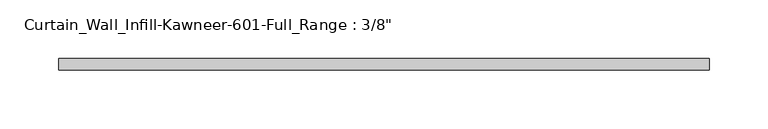
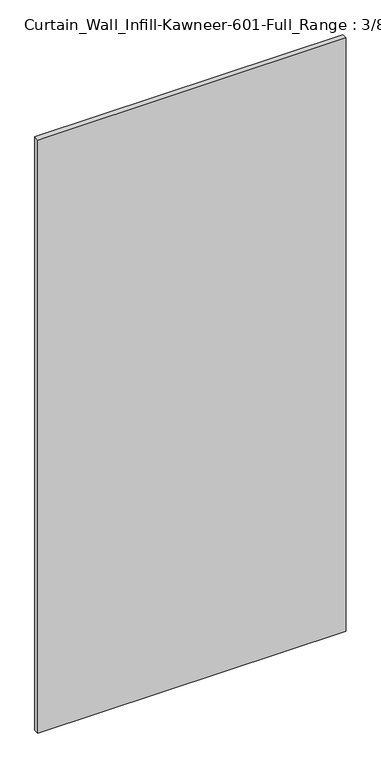
"""IFC4 building model written with IfcOpenShell, lengths in millimetres: plate geometry."""

from ifc_helpers import new_model, si_unit, origin, origin_with_axes, place, context, project, spatial, polyline, outline, extrude, source, transform, mapped, element, save


def plate_2a7b0496(model_context):
    return source(origin(), model_context, "Body", "SweptSolid", [
        extrude(outline(polyline([(-276.225, 14.2875), (276.225, 14.2875), (276.225, 4.7625), (-276.225, 4.7625), (-276.225, 14.2875)])), origin_with_axes(), (0.0, 0.0, 1.0), 1123.95),
    ])


if __name__ == "__main__":
    model = new_model("IFC4")
    model_context = context("Model", 3, world=origin())
    ifc_project = project(units=[si_unit("LENGTHUNIT", "METRE", prefix="MILLI")], contexts=[model_context])
    site = spatial("IfcSite", under=ifc_project)
    building = spatial("IfcBuilding", under=site)
    placement = place(None, origin())
    plate_shape = plate_2a7b0496(model_context)
    element("IfcPlate", 1, ObjectType="Curtain_Wall_Infill-Kawneer-601-Full_Range : 3/8\"", at=placement, inside=building, context=model_context, shape_type="MappedRepresentation", body=[
        mapped(plate_shape, transform((0.0, 0.0, 0.0), x_axis=(1.0, 0.0, 0.0), y_axis=(0.0, 1.0, 0.0), z_axis=(0.0, 0.0, 1.0))),
    ])
    save(model, "model.ifc")
